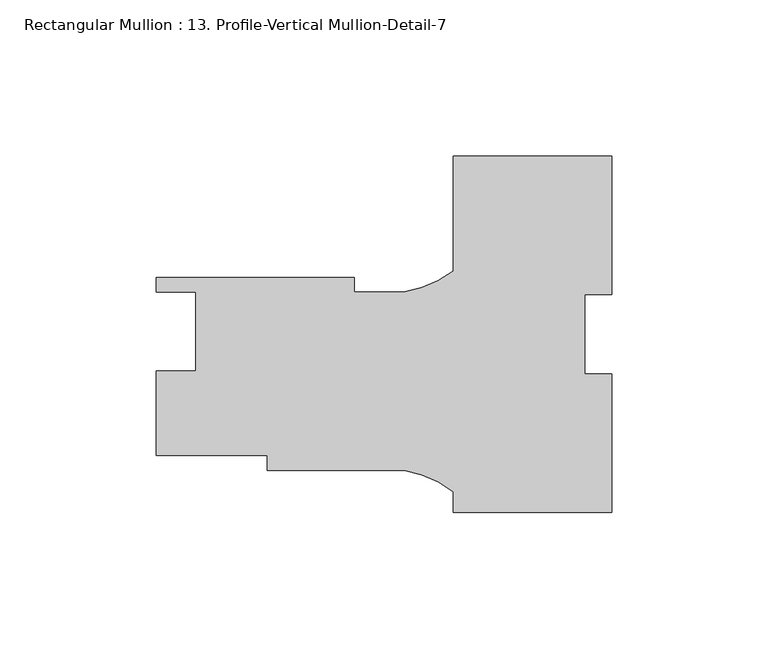
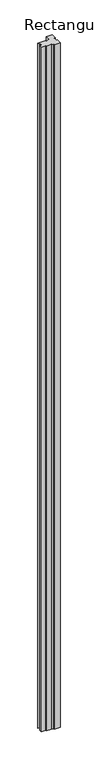
"""IFC4 building model written with IfcOpenShell, lengths in millimetres: member geometry, Rectangular Mullion : 13. Profile-Vertical Mullion-Detail-7."""

from ifc_helpers import new_model, si_unit, point, frame, frame_2d, origin, place, context, project, spatial, polyline, circle_curve, trimmed, segment, composite_curve, outline, extrude, source, transform, mapped, element, save


def rectangular_mullion_13_profile_vertical_mullion_detail_7_89915b2e(model_context):
    return source(origin(), model_context, "Body", "SweptSolid", [
        extrude(outline(composite_curve([segment(polyline([(25.4, 11.8258909), (16.66875, 11.8258909), (16.66875, -13.5741091), (25.4, -13.5741091), (25.4, -58.0241091), (-25.4, -58.0241091), (-25.4, -51.3983635)]), True, "CONTINUOUS"), segment(trimmed(circle_curve(frame_2d((-47.5843006, -80.9424006)), 36.945816), [point((-25.4, -51.3983635))], [point((-41.2172861, -44.5493456))], True, "CARTESIAN"), True, "CONTINUOUS"), segment(polyline([(-41.2172861, -44.5493456), (-85.0500517, -44.5493456), (-85.0500517, -39.7868456), (-120.65, -39.7868456), (-120.65, -12.7358456), (-107.95, -12.7358456), (-107.95, 12.6641544), (-120.65, 12.6641544), (-120.65, 17.3631544), (-57.15, 17.3631544), (-57.15, 12.6006544), (-41.2187366, 12.6006544)]), True, "CONTINUOUS"), segment(trimmed(circle_curve(frame_2d((-47.5843006, 48.9939631)), 36.945816), [point((-41.2187366, 12.6006544))], [point((-25.4, 19.449926))], True, "CARTESIAN"), True, "CONTINUOUS"), segment(polyline([(-25.4, 19.449926), (-25.4, 56.2758909), (25.4, 56.2758909), (25.4, 11.8258909)]), True, "CONTINUOUS")], self_intersect=False)), frame((0.0, 0.0, -6096.0), z_axis=(0.0, 0.0, 1.0), x_axis=(1.0, 0.0, 0.0)), (0.0, 0.0, 1.0), 6096.0),
    ])


if __name__ == "__main__":
    model = new_model("IFC4")
    model_context = context("Model", 3, world=origin())
    ifc_project = project(units=[si_unit("LENGTHUNIT", "METRE", prefix="MILLI")], contexts=[model_context])
    site = spatial("IfcSite", under=ifc_project)
    building = spatial("IfcBuilding", under=site)
    placement = place(None, origin())
    rectangular_mullion_13_profile_vertical_mullion_detail_7_shape = rectangular_mullion_13_profile_vertical_mullion_detail_7_89915b2e(model_context)
    element("IfcMember", 1, ObjectType="Rectangular Mullion : 13. Profile-Vertical Mullion-Detail-7", at=placement, inside=building, context=model_context, shape_type="MappedRepresentation", body=[
        mapped(rectangular_mullion_13_profile_vertical_mullion_detail_7_shape, transform((0.0, 0.0, 0.0), x_axis=(1.0, 0.0, 0.0), y_axis=(0.0, 1.0, 0.0), z_axis=(0.0, 0.0, 1.0))),
    ])
    save(model, "model.ifc")
